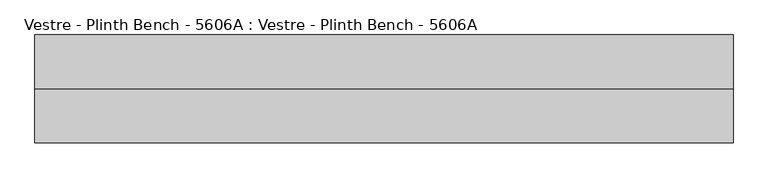
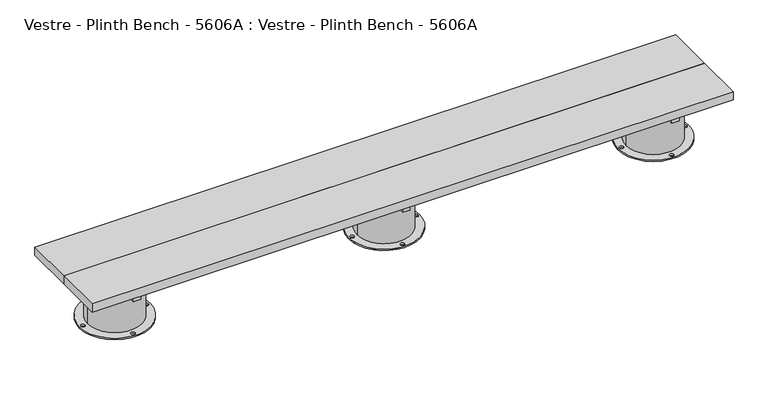
"""IFC4 building model written with IfcOpenShell, lengths in millimetres: furniture geometry, Vestre - Plinth Bench - 5606A : Vestre - Plinth Bench - 5606A."""

from ifc_helpers import new_model, si_unit, frame, origin, place, context, project, spatial, polyline, circle_curve, outline, extrude, source, transform, mapped, element, save
from ifc_brep_helpers import plane_surface, cylinder_surface, revolved_surface, advanced_brep


def vestre_plinth_bench_5606a_vestre_plinth_bench_5606a_9559da30(model_context):
    return source(origin(), model_context, "Body", "SolidModel", [
        extrude(outline(polyline([(1310.5005464, -17.4998463), (1310.5005464, -219.9999989), (-1310.5005464, -219.9999989), (-1310.5005464, -17.4998463), (1310.5005464, -17.4998463)])), frame((0.0, 0.0, 214.9999847), z_axis=(0.0, 0.0, 1.0), x_axis=(1.0, 0.0, 0.0)), (0.0, 0.0, 1.0), 35.0000153),
        advanced_brep(
        [(992.8249813, -237.5001515, 164.9999847), (1210.5868599, -219.9999989, 164.9999847), (992.8250143, -202.4996428, 164.9999847), (1089.0011479, -202.4996428, 164.9999847), (1089.0011479, -237.5001515, 164.9999847), (956.4726273, -219.9999989, 0.0), (1245.5328368, -219.9999989, 0.0), (963.0010928, -219.9999989, 0.0), (979.0010928, -219.9999989, 0.0), (1093.0010928, -90.0001458, 0.0), (1109.0010928, -90.0001458, 0.0), (1239.0043713, -219.9999989, 0.0), (1223.0043713, -219.9999989, 0.0), (1093.0010928, -349.9998521, 0.0), (1109.0010928, -349.9998521, 0.0), (992.8249813, -237.5001515, 74.9999847), (991.4186041, -219.9999989, 74.9999847), (991.4186041, -219.9999989, 5.8600001), (1210.5868599, -219.9999989, 5.8600001), (992.8250143, -202.4996428, 74.9999847), (1089.0011479, -237.5001515, 74.9999847), (1089.0011479, -202.4996428, 74.9999847), (956.4726273, -219.9999989, 5.8600001), (1245.5328368, -219.9999989, 5.8600001), (963.0010928, -219.9999989, 5.8600001), (979.0010928, -219.9999989, 5.8600001), (1093.0010928, -90.0001458, 5.8600001), (1109.0010928, -90.0001458, 5.8600001), (1239.0043713, -219.9999989, 5.8600001), (1223.0043713, -219.9999989, 5.8600001), (1093.0010928, -349.9998521, 5.8600001), (1109.0010928, -349.9998521, 5.8600001)],
        [
            (0, 1, circle_curve(frame((1101.002732, -219.9999989, 164.9999847), z_axis=(0.0, 0.0, 1.0), x_axis=(1.0, 0.0, 0.0)), 109.5841279)),
            (1, 2, circle_curve(frame((1101.002732, -219.9999989, 164.9999847), z_axis=(0.0, 0.0, 1.0), x_axis=(1.0, 0.0, 0.0)), 109.5841279)),
            (2, 3),
            (3, 4),
            (4, 0),
            (5, 6, circle_curve(frame((1101.002732, -219.9999989, 0.0), z_axis=(0.0, 0.0, -1.0), x_axis=(1.0, 0.0, 0.0)), 144.5301047)),
            (6, 5, circle_curve(frame((1101.002732, -219.9999989, 0.0), z_axis=(0.0, 0.0, -1.0), x_axis=(1.0, 0.0, 0.0)), 144.5301047)),
            (7, 8, circle_curve(frame((971.0010928, -219.9999989, 0.0), z_axis=(0.0, 0.0, 1.0), x_axis=(1.0, 0.0, 0.0)), 8.0)),
            (8, 7, circle_curve(frame((971.0010928, -219.9999989, 0.0), z_axis=(0.0, 0.0, 1.0), x_axis=(1.0, 0.0, 0.0)), 8.0)),
            (9, 10, circle_curve(frame((1101.0010928, -90.0001458, 0.0), z_axis=(0.0, 0.0, 1.0), x_axis=(1.0, 0.0, 0.0)), 8.0)),
            (10, 9, circle_curve(frame((1101.0010928, -90.0001458, 0.0), z_axis=(0.0, 0.0, 1.0), x_axis=(1.0, 0.0, 0.0)), 8.0)),
            (11, 12, circle_curve(frame((1231.0043713, -219.9999989, 0.0), z_axis=(0.0, 0.0, 1.0), x_axis=(-1.0, 0.0, 0.0)), 8.0)),
            (12, 11, circle_curve(frame((1231.0043713, -219.9999989, 0.0), z_axis=(0.0, 0.0, 1.0), x_axis=(-1.0, 0.0, 0.0)), 8.0)),
            (13, 14, circle_curve(frame((1101.0010928, -349.9998521, 0.0), z_axis=(0.0, 0.0, 1.0), x_axis=(1.0, 0.0, 0.0)), 8.0)),
            (14, 13, circle_curve(frame((1101.0010928, -349.9998521, 0.0), z_axis=(0.0, 0.0, 1.0), x_axis=(1.0, 0.0, 0.0)), 8.0)),
            (0, 15),
            (15, 16, circle_curve(frame((1101.002732, -219.9999989, 74.9999847), z_axis=(0.0, 0.0, -1.0), x_axis=(1.0, 0.0, 0.0)), 109.5841279)),
            (16, 17),
            (17, 18, circle_curve(frame((1101.002732, -219.9999989, 5.8600001), z_axis=(0.0, 0.0, 1.0), x_axis=(1.0, 0.0, 0.0)), 109.5841279)),
            (18, 1),
            (18, 17, circle_curve(frame((1101.002732, -219.9999989, 5.8600001), z_axis=(0.0, 0.0, 1.0), x_axis=(1.0, 0.0, 0.0)), 109.5841279)),
            (16, 19, circle_curve(frame((1101.002732, -219.9999989, 74.9999847), z_axis=(0.0, 0.0, -1.0), x_axis=(1.0, 0.0, 0.0)), 109.5841279)),
            (19, 2),
            (20, 21),
            (21, 19),
            (15, 20),
            (4, 20),
            (3, 21),
            (22, 23, circle_curve(frame((1101.002732, -219.9999989, 5.8600001), z_axis=(0.0, 0.0, 1.0), x_axis=(1.0, 0.0, 0.0)), 144.5301047)),
            (23, 22, circle_curve(frame((1101.002732, -219.9999989, 5.8600001), z_axis=(0.0, 0.0, 1.0), x_axis=(1.0, 0.0, 0.0)), 144.5301047)),
            (24, 25, circle_curve(frame((971.0010928, -219.9999989, 5.8600001), z_axis=(0.0, 0.0, -1.0), x_axis=(1.0, 0.0, 0.0)), 8.0)),
            (25, 24, circle_curve(frame((971.0010928, -219.9999989, 5.8600001), z_axis=(0.0, 0.0, -1.0), x_axis=(1.0, 0.0, 0.0)), 8.0)),
            (26, 27, circle_curve(frame((1101.0010928, -90.0001458, 5.8600001), z_axis=(0.0, 0.0, -1.0), x_axis=(1.0, 0.0, 0.0)), 8.0)),
            (27, 26, circle_curve(frame((1101.0010928, -90.0001458, 5.8600001), z_axis=(0.0, 0.0, -1.0), x_axis=(1.0, 0.0, 0.0)), 8.0)),
            (28, 29, circle_curve(frame((1231.0043713, -219.9999989, 5.8600001), z_axis=(0.0, 0.0, -1.0), x_axis=(-1.0, 0.0, 0.0)), 8.0)),
            (29, 28, circle_curve(frame((1231.0043713, -219.9999989, 5.8600001), z_axis=(0.0, 0.0, -1.0), x_axis=(-1.0, 0.0, 0.0)), 8.0)),
            (30, 31, circle_curve(frame((1101.0010928, -349.9998521, 5.8600001), z_axis=(0.0, 0.0, -1.0), x_axis=(1.0, 0.0, 0.0)), 8.0)),
            (31, 30, circle_curve(frame((1101.0010928, -349.9998521, 5.8600001), z_axis=(0.0, 0.0, -1.0), x_axis=(1.0, 0.0, 0.0)), 8.0)),
            (22, 5),
            (6, 23),
            (24, 7),
            (8, 25),
            (26, 9),
            (10, 27),
            (28, 11),
            (12, 29),
            (30, 13),
            (14, 31),
        ],
        [
            plane_surface(frame((1210.5868599, -219.9999989, 164.9999847), z_axis=(0.0, 0.0, 1.0), x_axis=(0.0, 1.0, 0.0))),
            plane_surface(frame((1210.5868599, -219.9999989, 0.0), z_axis=(0.0, 0.0, -1.0), x_axis=(0.0, -1.0, 0.0))),
            cylinder_surface(frame((1101.002732, -219.9999989, 0.0), z_axis=(0.0, 0.0, 1.0), x_axis=(1.0, 0.0, 0.0)), 109.5841279),
            plane_surface(frame((929.1366784, -202.4996428, 74.9999847), z_axis=(0.0, 0.0, 1.0), x_axis=(0.0, 1.0, 0.0))),
            plane_surface(frame((929.1366784, -237.5001515, 164.9999835), z_axis=(0.0, 1.0, 0.0), x_axis=(0.0, 0.0, -1.0))),
            plane_surface(frame((1089.0011479, -237.5001515, 164.9999835), z_axis=(-1.0, 0.0, 0.0), x_axis=(0.0, 0.0, -1.0))),
            plane_surface(frame((1089.0011479, -202.4996428, 164.9999835), z_axis=(0.0, -1.0, 0.0), x_axis=(0.0, 0.0, -1.0))),
            plane_surface(frame((1245.5328368, -219.9999989, 5.8600001), z_axis=(0.0, 0.0, 1.0), x_axis=(0.0, 1.0, 0.0))),
            cylinder_surface(frame((1101.002732, -219.9999989, 0.0), z_axis=(0.0, 0.0, 1.0), x_axis=(1.0, 0.0, 0.0)), 144.5301047),
            revolved_surface(polyline([(979.0010928, -219.9999989, 0.0), (979.0010928, -219.9999989, 5.8600001)]), (971.0010928, -219.9999989, 0.0), (0.0, 0.0, -1.0)),
            revolved_surface(polyline([(1109.0010928, -90.0001458, 0.0), (1109.0010928, -90.0001458, 5.8600001)]), (1101.0010928, -90.0001458, 0.0), (0.0, 0.0, -1.0)),
            revolved_surface(polyline([(1223.0043713, -219.9999989, 0.0), (1223.0043713, -219.9999989, 5.8600001)]), (1231.0043713, -219.9999989, 0.0), (0.0, 0.0, -1.0)),
            revolved_surface(polyline([(1109.0010928, -349.9998521, 0.0), (1109.0010928, -349.9998521, 5.8600001)]), (1101.0010928, -349.9998521, 0.0), (0.0, 0.0, -1.0)),
        ],
        [
            (0, [[1, 2, 3, 4, 5]]),
            (1, [[6, 7], [8, 9], [10, 11], [12, 13], [14, 15]]),
            (2, [[-1, 16, 17, 18, 19, 20]]),
            (2, [[-2, -20, 21, -18, 22, 23]]),
            (3, [[24, 25, -22, -17, 26]]),
            (4, [[27, -26, -16, -5]]),
            (5, [[-24, -27, -4, 28]]),
            (6, [[-28, -3, -23, -25]]),
            (7, [[29, 30], [-19, -21], [31, 32], [33, 34], [35, 36], [37, 38]]),
            (8, [[-29, 39, -7, 40]]),
            (8, [[-30, -40, -6, -39]]),
            (9, [[-31, 41, -9, 42]]),
            (9, [[-32, -42, -8, -41]]),
            (10, [[-33, 43, -11, 44]]),
            (10, [[-34, -44, -10, -43]]),
            (11, [[-35, 45, -13, 46]]),
            (11, [[-36, -46, -12, -45]]),
            (12, [[-37, 47, -15, 48]]),
            (12, [[-38, -48, -14, -47]]),
        ],
    ),
        advanced_brep(
        [(108.1804827, -202.4998463, 74.9999847), (-108.1750187, -202.4998463, 74.9999847), (-109.5813959, -219.9999989, 74.9999847), (-108.1750187, -237.5001515, 74.9999847), (108.1804827, -237.5001515, 74.9999847), (109.5868599, -219.9999989, 74.9999847), (108.1804827, -202.4998463, 164.9999847), (-108.1750187, -202.4998463, 164.9999847), (-108.1750187, -237.5001515, 164.9999847), (108.1804827, -237.5001515, 164.9999847), (-144.5273727, -219.9999989, 0.0), (144.5328368, -219.9999989, 0.0), (-137.9989072, -219.9999989, 0.0), (-121.9989072, -219.9999989, 0.0), (-7.9989072, -90.0001458, 0.0), (8.0010928, -90.0001458, 0.0), (138.0043713, -219.9999989, 0.0), (122.0043713, -219.9999989, 0.0), (-7.9989072, -349.9998521, 0.0), (8.0010928, -349.9998521, 0.0), (-109.5813959, -219.9999989, 5.8600001), (109.5868599, -219.9999989, 5.8600001), (-144.5273727, -219.9999989, 5.8600001), (144.5328368, -219.9999989, 5.8600001), (-137.9989072, -219.9999989, 5.8600001), (-121.9989072, -219.9999989, 5.8600001), (-7.9989072, -90.0001458, 5.8600001), (8.0010928, -90.0001458, 5.8600001), (138.0043713, -219.9999989, 5.8600001), (122.0043713, -219.9999989, 5.8600001), (-7.9989072, -349.9998521, 5.8600001), (8.0010928, -349.9998521, 5.8600001)],
        [
            (0, 1),
            (1, 2, circle_curve(frame((0.002732, -219.9999989, 74.9999847), z_axis=(0.0, 0.0, 1.0), x_axis=(1.0, 0.0, 0.0)), 109.5841279)),
            (2, 3, circle_curve(frame((0.002732, -219.9999989, 74.9999847), z_axis=(0.0, 0.0, 1.0), x_axis=(1.0, 0.0, 0.0)), 109.5841279)),
            (3, 4),
            (4, 5, circle_curve(frame((0.002732, -219.9999989, 74.9999847), z_axis=(0.0, 0.0, 1.0), x_axis=(1.0, 0.0, 0.0)), 109.5841279)),
            (5, 0, circle_curve(frame((0.002732, -219.9999989, 74.9999847), z_axis=(0.0, 0.0, 1.0), x_axis=(1.0, 0.0, 0.0)), 109.5841279)),
            (0, 6),
            (6, 7),
            (7, 1),
            (3, 8),
            (8, 9),
            (9, 4),
            (8, 9, circle_curve(frame((0.002732, -219.9999989, 164.9999847), z_axis=(0.0, 0.0, 1.0), x_axis=(1.0, 0.0, 0.0)), 109.5841279)),
            (6, 7, circle_curve(frame((0.002732, -219.9999989, 164.9999847), z_axis=(0.0, 0.0, 1.0), x_axis=(1.0, 0.0, 0.0)), 109.5841279)),
            (10, 11, circle_curve(frame((0.002732, -219.9999989, 0.0), z_axis=(0.0, 0.0, -1.0), x_axis=(1.0, 0.0, 0.0)), 144.5301047)),
            (11, 10, circle_curve(frame((0.002732, -219.9999989, 0.0), z_axis=(0.0, 0.0, -1.0), x_axis=(1.0, 0.0, 0.0)), 144.5301047)),
            (12, 13, circle_curve(frame((-129.9989072, -219.9999989, 0.0), z_axis=(0.0, 0.0, 1.0), x_axis=(1.0, 0.0, 0.0)), 8.0)),
            (13, 12, circle_curve(frame((-129.9989072, -219.9999989, 0.0), z_axis=(0.0, 0.0, 1.0), x_axis=(1.0, 0.0, 0.0)), 8.0)),
            (14, 15, circle_curve(frame((0.0010928, -90.0001458, 0.0), z_axis=(0.0, 0.0, 1.0), x_axis=(1.0, 0.0, 0.0)), 8.0)),
            (15, 14, circle_curve(frame((0.0010928, -90.0001458, 0.0), z_axis=(0.0, 0.0, 1.0), x_axis=(1.0, 0.0, 0.0)), 8.0)),
            (16, 17, circle_curve(frame((130.0043713, -219.9999989, 0.0), z_axis=(0.0, 0.0, 1.0), x_axis=(-1.0, 0.0, 0.0)), 8.0)),
            (17, 16, circle_curve(frame((130.0043713, -219.9999989, 0.0), z_axis=(0.0, 0.0, 1.0), x_axis=(-1.0, 0.0, 0.0)), 8.0)),
            (18, 19, circle_curve(frame((0.0010928, -349.9998521, 0.0), z_axis=(0.0, 0.0, 1.0), x_axis=(1.0, 0.0, 0.0)), 8.0)),
            (19, 18, circle_curve(frame((0.0010928, -349.9998521, 0.0), z_axis=(0.0, 0.0, 1.0), x_axis=(1.0, 0.0, 0.0)), 8.0)),
            (2, 20),
            (20, 21, circle_curve(frame((0.002732, -219.9999989, 5.8600001), z_axis=(0.0, 0.0, 1.0), x_axis=(1.0, 0.0, 0.0)), 109.5841279)),
            (21, 5),
            (21, 20, circle_curve(frame((0.002732, -219.9999989, 5.8600001), z_axis=(0.0, 0.0, 1.0), x_axis=(1.0, 0.0, 0.0)), 109.5841279)),
            (22, 23, circle_curve(frame((0.002732, -219.9999989, 5.8600001), z_axis=(0.0, 0.0, 1.0), x_axis=(1.0, 0.0, 0.0)), 144.5301047)),
            (23, 22, circle_curve(frame((0.002732, -219.9999989, 5.8600001), z_axis=(0.0, 0.0, 1.0), x_axis=(1.0, 0.0, 0.0)), 144.5301047)),
            (24, 25, circle_curve(frame((-129.9989072, -219.9999989, 5.8600001), z_axis=(0.0, 0.0, -1.0), x_axis=(1.0, 0.0, 0.0)), 8.0)),
            (25, 24, circle_curve(frame((-129.9989072, -219.9999989, 5.8600001), z_axis=(0.0, 0.0, -1.0), x_axis=(1.0, 0.0, 0.0)), 8.0)),
            (26, 27, circle_curve(frame((0.0010928, -90.0001458, 5.8600001), z_axis=(0.0, 0.0, -1.0), x_axis=(1.0, 0.0, 0.0)), 8.0)),
            (27, 26, circle_curve(frame((0.0010928, -90.0001458, 5.8600001), z_axis=(0.0, 0.0, -1.0), x_axis=(1.0, 0.0, 0.0)), 8.0)),
            (28, 29, circle_curve(frame((130.0043713, -219.9999989, 5.8600001), z_axis=(0.0, 0.0, -1.0), x_axis=(-1.0, 0.0, 0.0)), 8.0)),
            (29, 28, circle_curve(frame((130.0043713, -219.9999989, 5.8600001), z_axis=(0.0, 0.0, -1.0), x_axis=(-1.0, 0.0, 0.0)), 8.0)),
            (30, 31, circle_curve(frame((0.0010928, -349.9998521, 5.8600001), z_axis=(0.0, 0.0, -1.0), x_axis=(1.0, 0.0, 0.0)), 8.0)),
            (31, 30, circle_curve(frame((0.0010928, -349.9998521, 5.8600001), z_axis=(0.0, 0.0, -1.0), x_axis=(1.0, 0.0, 0.0)), 8.0)),
            (22, 10),
            (11, 23),
            (24, 12),
            (13, 25),
            (26, 14),
            (15, 27),
            (28, 16),
            (17, 29),
            (30, 18),
            (19, 31),
        ],
        [
            plane_surface(frame((-130.4989072, -202.4998463, 74.9999847), z_axis=(0.0, 0.0, 1.0), x_axis=(1.0, 0.0, 0.0))),
            plane_surface(frame((-130.4989072, -202.4998463, 164.9999847), z_axis=(0.0, -1.0, 0.0), x_axis=(1.0, 0.0, 0.0))),
            plane_surface(frame((-130.4989072, -237.5001515, 74.9999847), z_axis=(0.0, 1.0, 0.0), x_axis=(1.0, 0.0, 0.0))),
            plane_surface(frame((109.5868599, -219.9999989, 164.9999847), z_axis=(0.0, 0.0, 1.0), x_axis=(0.0, 1.0, 0.0))),
            plane_surface(frame((109.5868599, -219.9999989, 0.0), z_axis=(0.0, 0.0, -1.0), x_axis=(0.0, -1.0, 0.0))),
            cylinder_surface(frame((0.002732, -219.9999989, 0.0), z_axis=(0.0, 0.0, 1.0), x_axis=(1.0, 0.0, 0.0)), 109.5841279),
            plane_surface(frame((144.5328368, -219.9999989, 5.8600001), z_axis=(0.0, 0.0, 1.0), x_axis=(0.0, 1.0, 0.0))),
            cylinder_surface(frame((0.002732, -219.9999989, 0.0), z_axis=(0.0, 0.0, 1.0), x_axis=(1.0, 0.0, 0.0)), 144.5301047),
            revolved_surface(polyline([(-121.99890719999999, -219.9999989, 0.0), (-121.99890719999999, -219.9999989, 5.8600001)]), (-129.9989072, -219.9999989, 0.0), (0.0, 0.0, -1.0)),
            revolved_surface(polyline([(8.0010928, -90.0001458, 0.0), (8.0010928, -90.0001458, 5.8600001)]), (0.0010928, -90.0001458, 0.0), (0.0, 0.0, -1.0)),
            revolved_surface(polyline([(122.0043713, -219.9999989, 0.0), (122.0043713, -219.9999989, 5.8600001)]), (130.0043713, -219.9999989, 0.0), (0.0, 0.0, -1.0)),
            revolved_surface(polyline([(8.0010928, -349.9998521, 0.0), (8.0010928, -349.9998521, 5.8600001)]), (0.0010928, -349.9998521, 0.0), (0.0, 0.0, -1.0)),
        ],
        [
            (0, [[1, 2, 3, 4, 5, 6]]),
            (1, [[-1, 7, 8, 9]]),
            (2, [[-4, 10, 11, 12]]),
            (3, [[13, -11]]),
            (3, [[14, -8]]),
            (4, [[15, 16], [17, 18], [19, 20], [21, 22], [23, 24]]),
            (5, [[-13, -10, -3, 25, 26, 27, -5, -12]]),
            (5, [[-14, -7, -6, -27, 28, -25, -2, -9]]),
            (6, [[29, 30], [-26, -28], [31, 32], [33, 34], [35, 36], [37, 38]]),
            (7, [[-29, 39, -16, 40]]),
            (7, [[-30, -40, -15, -39]]),
            (8, [[-31, 41, -18, 42]]),
            (8, [[-32, -42, -17, -41]]),
            (9, [[-33, 43, -20, 44]]),
            (9, [[-34, -44, -19, -43]]),
            (10, [[-35, 45, -22, 46]]),
            (10, [[-36, -46, -21, -45]]),
            (11, [[-37, 47, -24, 48]]),
            (11, [[-38, -48, -23, -47]]),
        ],
    ),
        extrude(outline(polyline([(1116.0204991, -378.0001515), (1086.0021856, -378.0001515), (1086.0021856, -62.0001515), (1116.0204991, -62.0001515), (1116.0204991, -378.0001515)])), frame((0.0, 0.0, 164.9999847), z_axis=(0.0, 0.0, 1.0), x_axis=(1.0, 0.0, 0.0)), (0.0, 0.0, 1.0), 50.0),
        extrude(outline(polyline([(15.0204991, -378.0001515), (-14.9978144, -378.0001515), (-14.9978144, -62.0001515), (15.0204991, -62.0001515), (15.0204991, -378.0001515)])), frame((0.0, 0.0, 164.9999847), z_axis=(0.0, 0.0, 1.0), x_axis=(1.0, 0.0, 0.0)), (0.0, 0.0, 1.0), 50.0),
        extrude(outline(polyline([(-1085.9800473, -378.0001515), (-1115.9983608, -378.0001515), (-1115.9983608, -62.0001515), (-1085.9800473, -62.0001515), (-1085.9800473, -378.0001515)])), frame((0.0, 0.0, 164.9999847), z_axis=(0.0, 0.0, 1.0), x_axis=(1.0, 0.0, 0.0)), (0.0, 0.0, 1.0), 50.0),
        advanced_brep(
        [(-1210.5819423, -219.9999989, 164.9999847), (-992.8200637, -237.5001515, 164.9999847), (-1088.9994536, -237.5001515, 164.9999847), (-1088.9994536, -202.4998463, 164.9999847), (-992.8200637, -202.4998463, 164.9999847), (-1245.5279191, -219.9999989, 0.0), (-956.4677096, -219.9999989, 0.0), (-1238.9994536, -219.9999989, 0.0), (-1222.9994536, -219.9999989, 0.0), (-1108.9994536, -90.0001458, 0.0), (-1092.9994536, -90.0001458, 0.0), (-962.9961752, -219.9999989, 0.0), (-978.9961752, -219.9999989, 0.0), (-1108.9994536, -349.9998521, 0.0), (-1092.9994536, -349.9998521, 0.0), (-1210.5819423, -219.9999989, 5.8600001), (-991.4136865, -219.9999989, 5.8600001), (-991.4136865, -219.9999989, 74.9999847), (-992.8200637, -237.5001515, 74.9999847), (-992.8200637, -202.4998463, 74.9999847), (-1088.9994536, -237.5001515, 74.9999847), (-1088.9994536, -202.4998463, 74.9999847), (-1245.5279191, -219.9999989, 5.8600001), (-956.4677096, -219.9999989, 5.8600001), (-1238.9994536, -219.9999989, 5.8600001), (-1222.9994536, -219.9999989, 5.8600001), (-1108.9994536, -90.0001458, 5.8600001), (-1092.9994536, -90.0001458, 5.8600001), (-962.9961752, -219.9999989, 5.8600001), (-978.9961752, -219.9999989, 5.8600001), (-1108.9994536, -349.9998521, 5.8600001), (-1092.9994536, -349.9998521, 5.8600001)],
        [
            (0, 1, circle_curve(frame((-1100.9978144, -219.9999989, 164.9999847), z_axis=(0.0, 0.0, 1.0), x_axis=(1.0, 0.0, 0.0)), 109.5841279)),
            (1, 2),
            (2, 3),
            (3, 4),
            (4, 0, circle_curve(frame((-1100.9978144, -219.9999989, 164.9999847), z_axis=(0.0, 0.0, 1.0), x_axis=(1.0, 0.0, 0.0)), 109.5841279)),
            (5, 6, circle_curve(frame((-1100.9978144, -219.9999989, 0.0), z_axis=(0.0, 0.0, -1.0), x_axis=(1.0, 0.0, 0.0)), 144.5301047)),
            (6, 5, circle_curve(frame((-1100.9978144, -219.9999989, 0.0), z_axis=(0.0, 0.0, -1.0), x_axis=(1.0, 0.0, 0.0)), 144.5301047)),
            (7, 8, circle_curve(frame((-1230.9994536, -219.9999989, 0.0), z_axis=(0.0, 0.0, 1.0), x_axis=(1.0, 0.0, 0.0)), 8.0)),
            (8, 7, circle_curve(frame((-1230.9994536, -219.9999989, 0.0), z_axis=(0.0, 0.0, 1.0), x_axis=(1.0, 0.0, 0.0)), 8.0)),
            (9, 10, circle_curve(frame((-1100.9994536, -90.0001458, 0.0), z_axis=(0.0, 0.0, 1.0), x_axis=(1.0, 0.0, 0.0)), 8.0)),
            (10, 9, circle_curve(frame((-1100.9994536, -90.0001458, 0.0), z_axis=(0.0, 0.0, 1.0), x_axis=(1.0, 0.0, 0.0)), 8.0)),
            (11, 12, circle_curve(frame((-970.9961752, -219.9999989, 0.0), z_axis=(0.0, 0.0, 1.0), x_axis=(-1.0, 0.0, 0.0)), 8.0)),
            (12, 11, circle_curve(frame((-970.9961752, -219.9999989, 0.0), z_axis=(0.0, 0.0, 1.0), x_axis=(-1.0, 0.0, 0.0)), 8.0)),
            (13, 14, circle_curve(frame((-1100.9994536, -349.9998521, 0.0), z_axis=(0.0, 0.0, 1.0), x_axis=(1.0, 0.0, 0.0)), 8.0)),
            (14, 13, circle_curve(frame((-1100.9994536, -349.9998521, 0.0), z_axis=(0.0, 0.0, 1.0), x_axis=(1.0, 0.0, 0.0)), 8.0)),
            (0, 15),
            (15, 16, circle_curve(frame((-1100.9978144, -219.9999989, 5.8600001), z_axis=(0.0, 0.0, 1.0), x_axis=(1.0, 0.0, 0.0)), 109.5841279)),
            (16, 17),
            (17, 18, circle_curve(frame((-1100.9978144, -219.9999989, 74.9999847), z_axis=(0.0, 0.0, -1.0), x_axis=(1.0, 0.0, 0.0)), 109.5841279)),
            (18, 1),
            (4, 19),
            (19, 17, circle_curve(frame((-1100.9978144, -219.9999989, 74.9999847), z_axis=(0.0, 0.0, -1.0), x_axis=(1.0, 0.0, 0.0)), 109.5841279)),
            (16, 15, circle_curve(frame((-1100.9978144, -219.9999989, 5.8600001), z_axis=(0.0, 0.0, 1.0), x_axis=(1.0, 0.0, 0.0)), 109.5841279)),
            (20, 21),
            (21, 3),
            (2, 20),
            (20, 18),
            (19, 21),
            (22, 23, circle_curve(frame((-1100.9978144, -219.9999989, 5.8600001), z_axis=(0.0, 0.0, 1.0), x_axis=(1.0, 0.0, 0.0)), 144.5301047)),
            (23, 22, circle_curve(frame((-1100.9978144, -219.9999989, 5.8600001), z_axis=(0.0, 0.0, 1.0), x_axis=(1.0, 0.0, 0.0)), 144.5301047)),
            (24, 25, circle_curve(frame((-1230.9994536, -219.9999989, 5.8600001), z_axis=(0.0, 0.0, -1.0), x_axis=(1.0, 0.0, 0.0)), 8.0)),
            (25, 24, circle_curve(frame((-1230.9994536, -219.9999989, 5.8600001), z_axis=(0.0, 0.0, -1.0), x_axis=(1.0, 0.0, 0.0)), 8.0)),
            (26, 27, circle_curve(frame((-1100.9994536, -90.0001458, 5.8600001), z_axis=(0.0, 0.0, -1.0), x_axis=(1.0, 0.0, 0.0)), 8.0)),
            (27, 26, circle_curve(frame((-1100.9994536, -90.0001458, 5.8600001), z_axis=(0.0, 0.0, -1.0), x_axis=(1.0, 0.0, 0.0)), 8.0)),
            (28, 29, circle_curve(frame((-970.9961752, -219.9999989, 5.8600001), z_axis=(0.0, 0.0, -1.0), x_axis=(-1.0, 0.0, 0.0)), 8.0)),
            (29, 28, circle_curve(frame((-970.9961752, -219.9999989, 5.8600001), z_axis=(0.0, 0.0, -1.0), x_axis=(-1.0, 0.0, 0.0)), 8.0)),
            (30, 31, circle_curve(frame((-1100.9994536, -349.9998521, 5.8600001), z_axis=(0.0, 0.0, -1.0), x_axis=(1.0, 0.0, 0.0)), 8.0)),
            (31, 30, circle_curve(frame((-1100.9994536, -349.9998521, 5.8600001), z_axis=(0.0, 0.0, -1.0), x_axis=(1.0, 0.0, 0.0)), 8.0)),
            (22, 5),
            (6, 23),
            (24, 7),
            (8, 25),
            (26, 9),
            (10, 27),
            (28, 11),
            (12, 29),
            (30, 13),
            (14, 31),
        ],
        [
            plane_surface(frame((-991.4136865, -219.9999989, 164.9999847), z_axis=(0.0, 0.0, 1.0), x_axis=(0.0, 1.0, 0.0))),
            plane_surface(frame((-991.4136865, -219.9999989, 0.0), z_axis=(0.0, 0.0, -1.0), x_axis=(0.0, -1.0, 0.0))),
            cylinder_surface(frame((-1100.9978144, -219.9999989, 0.0), z_axis=(0.0, 0.0, 1.0), x_axis=(1.0, 0.0, 0.0)), 109.5841279),
            plane_surface(frame((-1088.9994536, -202.4998463, 74.9999847), z_axis=(1.0, 0.0, 0.0), x_axis=(0.0, -1.0, 0.0))),
            plane_surface(frame((-970.4989072, -237.5001515, 74.9999847), z_axis=(0.0, 0.0, 1.0), x_axis=(-1.0, 0.0, 0.0))),
            plane_surface(frame((-970.4989072, -202.4998463, 74.9999847), z_axis=(0.0, -1.0, 0.0), x_axis=(-1.0, 0.0, 0.0))),
            plane_surface(frame((-970.4989072, -237.5001515, 164.9999847), z_axis=(0.0, 1.0, 0.0), x_axis=(-1.0, 0.0, 0.0))),
            plane_surface(frame((-956.4677096, -219.9999989, 5.8600001), z_axis=(0.0, 0.0, 1.0), x_axis=(0.0, 1.0, 0.0))),
            cylinder_surface(frame((-1100.9978144, -219.9999989, 0.0), z_axis=(0.0, 0.0, 1.0), x_axis=(1.0, 0.0, 0.0)), 144.5301047),
            revolved_surface(polyline([(-1222.9994536, -219.9999989, 0.0), (-1222.9994536, -219.9999989, 5.8600001)]), (-1230.9994536, -219.9999989, 0.0), (0.0, 0.0, -1.0)),
            revolved_surface(polyline([(-1092.9994536, -90.0001458, 0.0), (-1092.9994536, -90.0001458, 5.8600001)]), (-1100.9994536, -90.0001458, 0.0), (0.0, 0.0, -1.0)),
            revolved_surface(polyline([(-978.9961752, -219.9999989, 0.0), (-978.9961752, -219.9999989, 5.8600001)]), (-970.9961752, -219.9999989, 0.0), (0.0, 0.0, -1.0)),
            revolved_surface(polyline([(-1092.9994536, -349.9998521, 0.0), (-1092.9994536, -349.9998521, 5.8600001)]), (-1100.9994536, -349.9998521, 0.0), (0.0, 0.0, -1.0)),
        ],
        [
            (0, [[1, 2, 3, 4, 5]]),
            (1, [[6, 7], [8, 9], [10, 11], [12, 13], [14, 15]]),
            (2, [[-1, 16, 17, 18, 19, 20]]),
            (2, [[-5, 21, 22, -18, 23, -16]]),
            (3, [[24, 25, -3, 26]]),
            (4, [[-24, 27, -19, -22, 28]]),
            (5, [[-25, -28, -21, -4]]),
            (6, [[-26, -2, -20, -27]]),
            (7, [[29, 30], [-17, -23], [31, 32], [33, 34], [35, 36], [37, 38]]),
            (8, [[-29, 39, -7, 40]]),
            (8, [[-30, -40, -6, -39]]),
            (9, [[-31, 41, -9, 42]]),
            (9, [[-32, -42, -8, -41]]),
            (10, [[-33, 43, -11, 44]]),
            (10, [[-34, -44, -10, -43]]),
            (11, [[-35, 45, -13, 46]]),
            (11, [[-36, -46, -12, -45]]),
            (12, [[-37, 47, -15, 48]]),
            (12, [[-38, -48, -14, -47]]),
        ],
    ),
        extrude(outline(polyline([(1089.0011479, -202.4998463), (1089.0011479, -237.5001515), (-1089.0005464, -237.5001515), (-1089.0005464, -202.4998463), (1089.0011479, -202.4998463)])), frame((0.0, 0.0, 74.9999847), z_axis=(0.0, 0.0, 1.0), x_axis=(1.0, 0.0, 0.0)), (0.0, 0.0, 1.0), 90.0),
        extrude(outline(polyline([(1310.5005464, -219.9999989), (1310.5005464, -422.5001515), (-1310.5005464, -422.5001515), (-1310.5005464, -219.9999989), (1310.5005464, -219.9999989)])), frame((0.0, 0.0, 214.9999847), z_axis=(0.0, 0.0, 1.0), x_axis=(1.0, 0.0, 0.0)), (0.0, 0.0, 1.0), 35.0000153),
    ])


if __name__ == "__main__":
    model = new_model("IFC4")
    model_context = context("Model", 3, world=origin())
    ifc_project = project(units=[si_unit("LENGTHUNIT", "METRE", prefix="MILLI")], contexts=[model_context])
    site = spatial("IfcSite", under=ifc_project)
    building = spatial("IfcBuilding", under=site)
    placement = place(None, origin())
    vestre_plinth_bench_5606a_vestre_plinth_bench_5606a_shape = vestre_plinth_bench_5606a_vestre_plinth_bench_5606a_9559da30(model_context)
    element("IfcFurniture", 1, ObjectType="Vestre - Plinth Bench - 5606A : Vestre - Plinth Bench - 5606A", at=placement, inside=building, context=model_context, shape_type="MappedRepresentation", body=[
        mapped(vestre_plinth_bench_5606a_vestre_plinth_bench_5606a_shape, transform((0.0, 0.0, 0.0), x_axis=(1.0, 0.0, 0.0), y_axis=(0.0, 1.0, 0.0), z_axis=(0.0, 0.0, 1.0))),
    ])
    save(model, "model.ifc")
